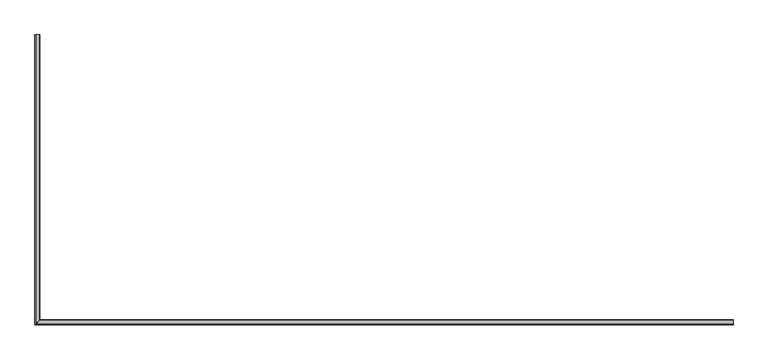
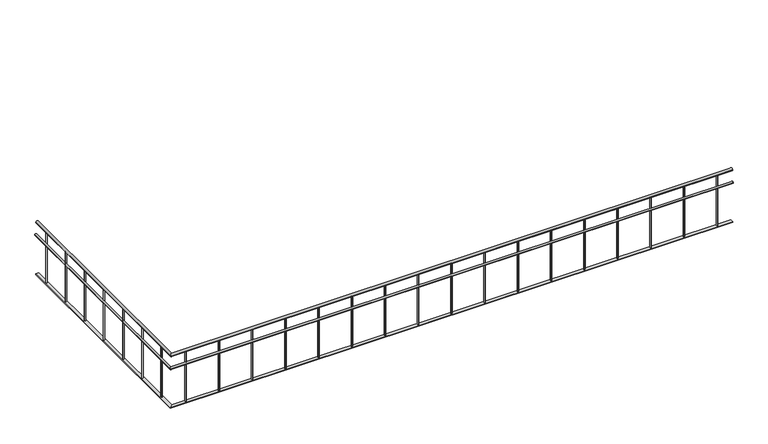
"""IFC4 building model written with IfcOpenShell, lengths in millimetres: railing geometry."""

import ifcopenshell
import ifcopenshell.guid

model = None  # the IFC model being written
_history = None  # IfcOwnerHistory: only IFC2X3 demands one
_inside = {}  # id of a spatial element -> (the spatial element, [elements in it])
_under = {}  # id of a project, library or spatial element -> (it, [spatial elements below it])
_declared = {}  # id of a project -> (the project, [libraries it declares])
_typed = {}  # id of a type object -> (the type object, [elements of that type])
_made_of = {}  # id of a material, layer set ... -> (it, [elements and type objects made of it])


def new_model(schema):
    """Start an empty IFC model of exactly this schema.

    Asked for "IFC4X3", IfcOpenShell would pick the latest addendum, in which some entities
    have other attributes; the version numbers below select the first issue.
    IFC2X3 requires an IfcOwnerHistory on every rooted entity: one is made here for all.
    """
    global model, _history
    if schema == "IFC4X3":
        model = ifcopenshell.file(schema_version=(4, 3, 0, 0))
    else:
        model = ifcopenshell.file(schema=schema)
    _inside.clear()
    _under.clear()
    _declared.clear()
    _typed.clear()
    _made_of.clear()
    _history = None
    if model.schema == "IFC2X3":
        org = make("IfcOrganization", Name="unknown")
        user = make(
            "IfcPersonAndOrganization",
            ThePerson=make("IfcPerson", FamilyName="unknown"),
            TheOrganization=org,
        )
        app = make(
            "IfcApplication",
            ApplicationDeveloper=org,
            Version="unknown",
            ApplicationFullName="unknown",
            ApplicationIdentifier="unknown",
        )
        _history = make(
            "IfcOwnerHistory",
            OwningUser=user,
            OwningApplication=app,
            ChangeAction="ADDED",
            CreationDate=0,
        )
    return model


def make(cls, **values):
    """One entity of the class cls with the attributes given. An attribute that is None is left unset."""
    return model.create_entity(
        cls, **{name: value for name, value in values.items() if value is not None}
    )


def rooted(cls, **values):
    """An entity with a GlobalId (a new one), such as an element, a storey or a relation."""
    return make(cls, GlobalId=ifcopenshell.guid.new(), OwnerHistory=_history, **values)


def si_unit(unit_type, name, prefix=None):
    """IfcSIUnit, for example si_unit("LENGTHUNIT", "METRE", prefix="MILLI")."""
    return make("IfcSIUnit", UnitType=unit_type, Prefix=prefix, Name=name)


def assignment(units):
    """IfcUnitAssignment: the units of a project."""
    return None if units is None else make("IfcUnitAssignment", Units=units)


def point(xyz):
    """IfcCartesianPoint."""
    return None if xyz is None else make("IfcCartesianPoint", Coordinates=xyz)


def direction(xyz):
    """IfcDirection."""
    return None if xyz is None else make("IfcDirection", DirectionRatios=xyz)


def frame(location, z_axis=None, x_axis=None):
    """IfcAxis2Placement3D, a coordinate frame: its origin and axes. An axis left out is left unset."""
    return make(
        "IfcAxis2Placement3D",
        Location=point(location),
        Axis=direction(z_axis),
        RefDirection=direction(x_axis),
    )


def frame_2d(location, x_axis=None):
    """IfcAxis2Placement2D, a coordinate frame in the plane: its origin and x axis."""
    return make(
        "IfcAxis2Placement2D", Location=point(location), RefDirection=direction(x_axis)
    )


def origin():
    """The frame at (0, 0, 0) with its axes left unset."""
    return frame((0.0, 0.0, 0.0))


def place(relative_to, where):
    """IfcLocalPlacement: puts the frame where relative to a parent placement (None: the world)."""
    return make(
        "IfcLocalPlacement", PlacementRelTo=relative_to, RelativePlacement=where
    )


def context(
    kind, dimensions, precision=None, world=None, true_north=None, identifier=None
):
    """IfcGeometricRepresentationContext, for example the 3D "Model" context."""
    return make(
        "IfcGeometricRepresentationContext",
        ContextIdentifier=identifier,
        ContextType=kind,
        CoordinateSpaceDimension=dimensions,
        Precision=precision,
        WorldCoordinateSystem=world,
        TrueNorth=true_north,
    )


def project(units=None, contexts=None):
    """IfcProject with its units and contexts."""
    return rooted(
        "IfcProject",
        Name="project",
        RepresentationContexts=contexts,
        UnitsInContext=assignment(units),
    )


def spatial(cls, under=None, at=None, **own):
    """A site, building, storey or space (cls), placed at a placement, below another one or the project."""
    s = rooted(cls, ObjectPlacement=at, **own)
    if under is not None:
        _under.setdefault(under.id(), (under, []))[1].append(s)
    return s


def circle_curve(where, radius):
    """IfcCircle in the frame where."""
    return make("IfcCircle", Position=where, Radius=radius)


def ellipse_curve(where, semi_axis1, semi_axis2):
    """IfcEllipse in the frame where."""
    return make(
        "IfcEllipse", Position=where, SemiAxis1=semi_axis1, SemiAxis2=semi_axis2
    )


def trimmed(basis, trim1, trim2, sense, master):
    """IfcTrimmedCurve: the piece of a basis curve between two trims."""
    return make(
        "IfcTrimmedCurve",
        BasisCurve=basis,
        Trim1=trim1,
        Trim2=trim2,
        SenseAgreement=sense,
        MasterRepresentation=master,
    )


def segment(curve, same_sense, transition):
    """IfcCompositeCurveSegment."""
    return make(
        "IfcCompositeCurveSegment",
        Transition=transition,
        SameSense=same_sense,
        ParentCurve=curve,
    )


def composite_curve(segments, self_intersect=None):
    """IfcCompositeCurve: segments joined end to end."""
    return make("IfcCompositeCurve", Segments=segments, SelfIntersect=self_intersect)


def outline(outer, holes=None, kind="AREA"):
    """IfcArbitraryClosedProfileDef: a profile drawn as a closed curve; with holes, ...WithVoids."""
    if holes is None:
        return make("IfcArbitraryClosedProfileDef", ProfileType=kind, OuterCurve=outer)
    return make(
        "IfcArbitraryProfileDefWithVoids",
        ProfileType=kind,
        OuterCurve=outer,
        InnerCurves=holes,
    )


def extrude(swept, where, along, depth):
    """IfcExtrudedAreaSolid: the profile swept, set in the frame where, extruded along a direction by depth."""
    return make(
        "IfcExtrudedAreaSolid",
        SweptArea=swept,
        Position=where,
        ExtrudedDirection=direction(along),
        Depth=depth,
    )


def faces_of(points, faces, orient=None, outer=None):
    """IfcFace entities. A face is a list of loops; a loop is a list of indices into points, from 0.

    orient and outer hold one flag for each loop. By default every Orientation is true, the
    first loop of a face is its IfcFaceOuterBound and the others are IfcFaceBound.
    """
    made = []
    for i, loops in enumerate(faces):
        bounds = []
        for j, loop in enumerate(loops):
            is_outer = j == 0 if outer is None else outer[i][j]
            bounds.append(
                make(
                    "IfcFaceOuterBound" if is_outer else "IfcFaceBound",
                    Bound=make("IfcPolyLoop", Polygon=[points[k] for k in loop]),
                    Orientation=True if orient is None else orient[i][j],
                )
            )
        made.append(make("IfcFace", Bounds=bounds))
    return made


def faceted_brep(points, faces, orient=None, outer=None, voids=None):
    """IfcFacetedBrep: a solid bounded by flat faces; with voids (closed shells), ...WithVoids."""
    shared = [point(p) for p in points]
    hull = make("IfcClosedShell", CfsFaces=faces_of(shared, faces, orient, outer))
    if voids is None:
        return make("IfcFacetedBrep", Outer=hull)
    return make(
        "IfcFacetedBrepWithVoids",
        Outer=hull,
        Voids=[
            make(cls, CfsFaces=faces_of(shared, fs, o, b)) for cls, fs, o, b in voids
        ],
    )


def shape(context_of_items, identifier, shape_type, items):
    """IfcShapeRepresentation: the items that make up one representation, for example the "Body"."""
    return make(
        "IfcShapeRepresentation",
        ContextOfItems=context_of_items,
        RepresentationIdentifier=identifier,
        RepresentationType=shape_type,
        Items=items,
    )


def source(mapping_origin, context_of_items, identifier, shape_type, items):
    """IfcRepresentationMap: a shape defined once, which mapped items show again and again."""
    return make(
        "IfcRepresentationMap",
        MappingOrigin=mapping_origin,
        MappedRepresentation=shape(context_of_items, identifier, shape_type, items),
    )


def transform(
    local_origin,
    x_axis=None,
    y_axis=None,
    z_axis=None,
    scale=None,
    scale2=None,
    scale3=None,
    uniform=True,
):
    """IfcCartesianTransformationOperator3D, or its non-uniform kind. x_axis, y_axis, z_axis: its Axis1, 2, 3."""
    if uniform:
        return make(
            "IfcCartesianTransformationOperator3D",
            Axis1=direction(x_axis),
            Axis2=direction(y_axis),
            LocalOrigin=point(local_origin),
            Scale=scale,
            Axis3=direction(z_axis),
        )
    return make(
        "IfcCartesianTransformationOperator3DnonUniform",
        Axis1=direction(x_axis),
        Axis2=direction(y_axis),
        LocalOrigin=point(local_origin),
        Scale=scale,
        Axis3=direction(z_axis),
        Scale2=scale2,
        Scale3=scale3,
    )


def mapped(mapping_source, mapping_target):
    """IfcMappedItem: shows the shape of a source again, moved by a transform."""
    return make(
        "IfcMappedItem", MappingSource=mapping_source, MappingTarget=mapping_target
    )


def made_of(thing, what):
    """Note that an element or type object is made of a material, layer set ...; save() writes the relation."""
    if what is not None:
        _made_of.setdefault(what.id(), (what, []))[1].append(thing)
    return thing


def element(
    cls,
    number,
    at=None,
    inside=None,
    cuts=None,
    type_object=None,
    material=None,
    context=None,
    identifier="Body",
    shape_type=None,
    held_by="IfcProductDefinitionShape",
    body=None,
    shapes=None,
    **own,
):
    """One element of the class cls, such as IfcWall. Its Tag is "e" and its number.

    at: its placement. inside: the storey or other place that contains it. cuts: it is an
    opening in that element (IfcRelVoidsElement). A single representation is given by context,
    identifier, shape_type and body (its items); several are given by shapes. held_by: the class
    of the entity that holds the representations. save() writes the other relations.
    """
    e = rooted(cls, Tag="e%d" % number, ObjectPlacement=at, **own)
    if body is not None:
        shapes = [shape(context, identifier, shape_type, body)]
    if shapes is not None:
        e.Representation = make(held_by, Representations=shapes)
    if inside is not None:
        _inside.setdefault(inside.id(), (inside, []))[1].append(e)
    if cuts is not None:
        rooted(
            "IfcRelVoidsElement", RelatingBuildingElement=cuts, RelatedOpeningElement=e
        )
    if type_object is not None:
        _typed.setdefault(type_object.id(), (type_object, []))[1].append(e)
    return made_of(e, material)


def aggregate(whole, parts):
    """IfcRelAggregates: a whole, such as a stair, and the parts it consists of."""
    return rooted("IfcRelAggregates", RelatingObject=whole, RelatedObjects=parts)


def save(model, path):
    """Write the relations noted so far, then the file.

    IfcRelAggregates (storeys below a building ...), IfcRelContainedInSpatialStructure (elements
    in a storey), IfcRelDefinesByType, IfcRelAssociatesMaterial and IfcRelDeclares: one each for
    every whole, place, type object, material and project.
    """
    for whole, parts in _under.values():
        aggregate(whole, parts)
    for where, things in _inside.values():
        rooted(
            "IfcRelContainedInSpatialStructure",
            RelatedElements=things,
            RelatingStructure=where,
        )
    for kind, things in _typed.values():
        rooted("IfcRelDefinesByType", RelatedObjects=things, RelatingType=kind)
    for what, things in _made_of.values():
        rooted("IfcRelAssociatesMaterial", RelatedObjects=things, RelatingMaterial=what)
    for by, libraries in _declared.values():
        rooted("IfcRelDeclares", RelatingContext=by, RelatedDefinitions=libraries)
    model.write(path)


def plane_surface(at):
    """IfcPlane: the flat surface through the origin of the frame at, square to its z axis."""
    return make("IfcPlane", Position=at)


def cylinder_surface(at, radius):
    """IfcCylindricalSurface: all points at the distance radius from the z axis of the frame at."""
    return make("IfcCylindricalSurface", Position=at, Radius=radius)


def advanced_brep(points, edges, surfaces, faces):
    """IfcAdvancedBrep: a solid bounded by faces that lie on surfaces and meet in shared edges.

    An edge is (start, end): straight between two places in points (the first is 0);
    or (start, end, curve); or (start, end, curve, False) where it runs against its curve.
    A face is (place in surfaces, loops), or (place, loops, False) where it looks against
    its surface's normal. A loop lists edges by number (the first is 1), with a minus sign
    where the edge is run from its end to its start. The first loop is the outer one.
    """
    corners = [point(p) for p in points]
    vertices = [make("IfcVertexPoint", VertexGeometry=c) for c in corners]
    made = []
    for start, end, *more in edges:
        made.append(
            make(
                "IfcEdgeCurve",
                EdgeStart=vertices[start],
                EdgeEnd=vertices[end],
                EdgeGeometry=more[0] if more else make("IfcPolyline", Points=[corners[start], corners[end]]),
                SameSense=more[1] if len(more) > 1 else True,
            )
        )
    hull = []
    for where, loops, *sense in faces:
        bounds = []
        for j, loop in enumerate(loops):
            ring = [make("IfcOrientedEdge", EdgeElement=made[abs(k) - 1], Orientation=k > 0) for k in loop]
            bounds.append(
                make(
                    "IfcFaceOuterBound" if j == 0 else "IfcFaceBound",
                    Bound=make("IfcEdgeLoop", EdgeList=ring),
                    Orientation=True,
                )
            )
        hull.append(make("IfcAdvancedFace", Bounds=bounds, FaceSurface=surfaces[where], SameSense=sense[0] if sense else True))
    return make("IfcAdvancedBrep", Outer=make("IfcClosedShell", CfsFaces=hull))


def railing_76dd38c3(model_context):
    return source(origin(), model_context, "Body", "SolidModel", [
        advanced_brep(
        [(-41069.9887159, -15016.8920513, 830.0), (-41109.9887159, -15016.8920513, 830.0), (-41069.9887159, -18486.8920513, 830.0), (-41109.9887159, -18526.8920513, 830.0), (-32649.5887159, -18486.8920513, 830.0), (-32649.5887159, -18526.8920513, 830.0)],
        [
            (0, 1, circle_curve(frame((-41089.9887159, -15016.8920513, 830.0), z_axis=(0.0, 1.0, 0.0), x_axis=(-1.0, 0.0, 0.0)), 20.0)),
            (1, 0, circle_curve(frame((-41089.9887159, -15016.8920513, 830.0), z_axis=(0.0, 1.0, 0.0), x_axis=(-1.0, 0.0, 0.0)), 20.0)),
            (0, 2),
            (2, 3, ellipse_curve(frame((-41089.9887159, -18506.8920513, 830.0), z_axis=(-0.7071067811865454, 0.7071067811865496, 0.0), x_axis=(0.7071067811865496, 0.7071067811865456, 0.0)), 28.2842712, 20.0)),
            (3, 1),
            (3, 2, ellipse_curve(frame((-41089.9887159, -18506.8920513, 830.0), z_axis=(-0.7071067811865454, 0.7071067811865496, 0.0), x_axis=(0.7071067811865496, 0.7071067811865456, 0.0)), 28.2842712, 20.0)),
            (4, 5, circle_curve(frame((-32649.5887159, -18506.8920513, 830.0), z_axis=(1.0, 0.0, 0.0), x_axis=(0.0, -1.0, 0.0)), 20.0)),
            (5, 4, circle_curve(frame((-32649.5887159, -18506.8920513, 830.0), z_axis=(1.0, 0.0, 0.0), x_axis=(0.0, -1.0, 0.0)), 20.0)),
            (2, 4),
            (5, 3),
        ],
        [
            plane_surface(frame((-41089.9887159, -15016.8920513, 850.0), z_axis=(0.0, 1.0, 0.0), x_axis=(0.0, 0.0, -1.0))),
            cylinder_surface(frame((-41089.9887159, -15016.8920513, 830.0), z_axis=(0.0, 1.0, 0.0), x_axis=(-1.0, 0.0, 0.0)), 20.0),
            plane_surface(frame((-32649.5887159, -18506.8920513, 850.0), z_axis=(1.0, 0.0, 0.0), x_axis=(0.0, 1.0, 0.0))),
            cylinder_surface(frame((-41089.9887159, -18506.8920513, 830.0), z_axis=(-1.0, 0.0, 0.0), x_axis=(0.0, -1.0, 0.0)), 20.0),
        ],
        [
            (0, [[1, 2]]),
            (1, [[-1, 3, 4, 5]]),
            (1, [[-2, -5, 6, -3]]),
            (2, [[7, 8]]),
            (3, [[-4, 9, -8, 10]]),
            (3, [[-6, -10, -7, -9]]),
        ],
    ),
        advanced_brep(
        [(-41094.9887159, -15016.8920513, 635.0), (-41124.9887159, -15016.8920513, 635.0), (-41094.9887159, -18511.8920513, 635.0), (-41124.9887159, -18541.8920513, 635.0), (-32649.5887159, -18511.8920513, 635.0), (-32649.5887159, -18541.8920513, 635.0)],
        [
            (0, 1, circle_curve(frame((-41109.9887159, -15016.8920513, 635.0), z_axis=(0.0, 1.0, 0.0), x_axis=(-1.0, 0.0, 0.0)), 15.0)),
            (1, 0, circle_curve(frame((-41109.9887159, -15016.8920513, 635.0), z_axis=(0.0, 1.0, 0.0), x_axis=(-1.0, 0.0, 0.0)), 15.0)),
            (0, 2),
            (2, 3, ellipse_curve(frame((-41109.9887159, -18526.8920513, 635.0), z_axis=(-0.7071067811865454, 0.7071067811865496, 0.0), x_axis=(0.7071067811865496, 0.7071067811865456, 0.0)), 21.2132034, 15.0)),
            (3, 1),
            (3, 2, ellipse_curve(frame((-41109.9887159, -18526.8920513, 635.0), z_axis=(-0.7071067811865454, 0.7071067811865496, 0.0), x_axis=(0.7071067811865496, 0.7071067811865456, 0.0)), 21.2132034, 15.0)),
            (4, 5, circle_curve(frame((-32649.5887159, -18526.8920513, 635.0), z_axis=(1.0, 0.0, 0.0), x_axis=(0.0, -1.0, 0.0)), 15.0)),
            (5, 4, circle_curve(frame((-32649.5887159, -18526.8920513, 635.0), z_axis=(1.0, 0.0, 0.0), x_axis=(0.0, -1.0, 0.0)), 15.0)),
            (2, 4),
            (5, 3),
        ],
        [
            plane_surface(frame((-41109.9887159, -15016.8920513, 650.0), z_axis=(0.0, 1.0, 0.0), x_axis=(0.0, 0.0, -1.0))),
            cylinder_surface(frame((-41109.9887159, -15016.8920513, 635.0), z_axis=(0.0, 1.0, 0.0), x_axis=(-1.0, 0.0, 0.0)), 15.0),
            plane_surface(frame((-32649.5887159, -18526.8920513, 650.0), z_axis=(1.0, 0.0, 0.0), x_axis=(0.0, 1.0, 0.0))),
            cylinder_surface(frame((-41109.9887159, -18526.8920513, 635.0), z_axis=(-1.0, 0.0, 0.0), x_axis=(0.0, -1.0, 0.0)), 15.0),
        ],
        [
            (0, [[1, 2]]),
            (1, [[-1, 3, 4, 5]]),
            (1, [[-2, -5, 6, -3]]),
            (2, [[7, 8]]),
            (3, [[-4, 9, -8, 10]]),
            (3, [[-6, -10, -7, -9]]),
        ],
    ),
        faceted_brep([(-41114.9887159, -15016.8920513, 10.0), (-41064.9887159, -15016.8920513, 10.0), (-41064.9887159, -15016.8920513, 0.0), (-41114.9887159, -15016.8920513, 0.0), (-41114.9887159, -18531.8920513, 10.0), (-41064.9887159, -18481.8920513, 10.0), (-41064.9887159, -18481.8920513, 0.0), (-41114.9887159, -18531.8920513, 0.0), (-32649.5887159, -18531.8920513, 10.0), (-32649.5887159, -18531.8920513, 0.0), (-32649.5887159, -18481.8920513, 0.0), (-32649.5887159, -18481.8920513, 10.0)], [[[0, 1, 2, 3]], [[1, 0, 4, 5]], [[2, 1, 5, 6]], [[3, 2, 6, 7]], [[0, 3, 7, 4]], [[8, 9, 10, 11]], [[5, 4, 8, 11]], [[6, 5, 11, 10]], [[7, 6, 10, 9]], [[4, 7, 9, 8]]]),
        extrude(outline(composite_curve([segment(trimmed(circle_curve(frame_2d((-32869.7887159, -18506.8920513)), 10.0), [point((-32869.7887159, -18496.8920513))], [point((-32869.7887159, -18516.8920513))], False, "CARTESIAN"), True, "CONTINUOUS"), segment(trimmed(circle_curve(frame_2d((-32869.7887159, -18506.8920513)), 10.0), [point((-32869.7887159, -18516.8920513))], [point((-32869.7887159, -18496.8920513))], False, "CARTESIAN"), True, "CONTINUOUS")], self_intersect=False)), frame((0.0, 0.0, 10.0), z_axis=(0.0, 0.0, 1.0), x_axis=(1.0, 0.0, 0.0)), (0.0, 0.0, 1.0), 800.0),
        extrude(outline(composite_curve([segment(trimmed(circle_curve(frame_2d((-33369.7887159, -18506.8920513)), 10.0), [point((-33369.7887159, -18496.8920513))], [point((-33369.7887159, -18516.8920513))], False, "CARTESIAN"), True, "CONTINUOUS"), segment(trimmed(circle_curve(frame_2d((-33369.7887159, -18506.8920513)), 10.0), [point((-33369.7887159, -18516.8920513))], [point((-33369.7887159, -18496.8920513))], False, "CARTESIAN"), True, "CONTINUOUS")], self_intersect=False)), frame((0.0, 0.0, 10.0), z_axis=(0.0, 0.0, 1.0), x_axis=(1.0, 0.0, 0.0)), (0.0, 0.0, 1.0), 800.0),
        extrude(outline(composite_curve([segment(trimmed(circle_curve(frame_2d((-33869.7887159, -18506.8920513)), 10.0), [point((-33869.7887159, -18496.8920513))], [point((-33869.7887159, -18516.8920513))], False, "CARTESIAN"), True, "CONTINUOUS"), segment(trimmed(circle_curve(frame_2d((-33869.7887159, -18506.8920513)), 10.0), [point((-33869.7887159, -18516.8920513))], [point((-33869.7887159, -18496.8920513))], False, "CARTESIAN"), True, "CONTINUOUS")], self_intersect=False)), frame((0.0, 0.0, 10.0), z_axis=(0.0, 0.0, 1.0), x_axis=(1.0, 0.0, 0.0)), (0.0, 0.0, 1.0), 800.0),
        extrude(outline(composite_curve([segment(trimmed(circle_curve(frame_2d((-34369.7887159, -18506.8920513)), 10.0), [point((-34369.7887159, -18496.8920513))], [point((-34369.7887159, -18516.8920513))], False, "CARTESIAN"), True, "CONTINUOUS"), segment(trimmed(circle_curve(frame_2d((-34369.7887159, -18506.8920513)), 10.0), [point((-34369.7887159, -18516.8920513))], [point((-34369.7887159, -18496.8920513))], False, "CARTESIAN"), True, "CONTINUOUS")], self_intersect=False)), frame((0.0, 0.0, 10.0), z_axis=(0.0, 0.0, 1.0), x_axis=(1.0, 0.0, 0.0)), (0.0, 0.0, 1.0), 800.0),
        extrude(outline(composite_curve([segment(trimmed(circle_curve(frame_2d((-34869.7887159, -18506.8920513)), 10.0), [point((-34869.7887159, -18496.8920513))], [point((-34869.7887159, -18516.8920513))], False, "CARTESIAN"), True, "CONTINUOUS"), segment(trimmed(circle_curve(frame_2d((-34869.7887159, -18506.8920513)), 10.0), [point((-34869.7887159, -18516.8920513))], [point((-34869.7887159, -18496.8920513))], False, "CARTESIAN"), True, "CONTINUOUS")], self_intersect=False)), frame((0.0, 0.0, 10.0), z_axis=(0.0, 0.0, 1.0), x_axis=(1.0, 0.0, 0.0)), (0.0, 0.0, 1.0), 800.0),
        extrude(outline(composite_curve([segment(trimmed(circle_curve(frame_2d((-35369.7887159, -18506.8920513)), 10.0), [point((-35369.7887159, -18496.8920513))], [point((-35369.7887159, -18516.8920513))], False, "CARTESIAN"), True, "CONTINUOUS"), segment(trimmed(circle_curve(frame_2d((-35369.7887159, -18506.8920513)), 10.0), [point((-35369.7887159, -18516.8920513))], [point((-35369.7887159, -18496.8920513))], False, "CARTESIAN"), True, "CONTINUOUS")], self_intersect=False)), frame((0.0, 0.0, 10.0), z_axis=(0.0, 0.0, 1.0), x_axis=(1.0, 0.0, 0.0)), (0.0, 0.0, 1.0), 800.0),
        extrude(outline(composite_curve([segment(trimmed(circle_curve(frame_2d((-35869.7887159, -18506.8920513)), 10.0), [point((-35869.7887159, -18496.8920513))], [point((-35869.7887159, -18516.8920513))], False, "CARTESIAN"), True, "CONTINUOUS"), segment(trimmed(circle_curve(frame_2d((-35869.7887159, -18506.8920513)), 10.0), [point((-35869.7887159, -18516.8920513))], [point((-35869.7887159, -18496.8920513))], False, "CARTESIAN"), True, "CONTINUOUS")], self_intersect=False)), frame((0.0, 0.0, 10.0), z_axis=(0.0, 0.0, 1.0), x_axis=(1.0, 0.0, 0.0)), (0.0, 0.0, 1.0), 800.0),
        extrude(outline(composite_curve([segment(trimmed(circle_curve(frame_2d((-36369.7887159, -18506.8920513)), 10.0), [point((-36369.7887159, -18496.8920513))], [point((-36369.7887159, -18516.8920513))], False, "CARTESIAN"), True, "CONTINUOUS"), segment(trimmed(circle_curve(frame_2d((-36369.7887159, -18506.8920513)), 10.0), [point((-36369.7887159, -18516.8920513))], [point((-36369.7887159, -18496.8920513))], False, "CARTESIAN"), True, "CONTINUOUS")], self_intersect=False)), frame((0.0, 0.0, 10.0), z_axis=(0.0, 0.0, 1.0), x_axis=(1.0, 0.0, 0.0)), (0.0, 0.0, 1.0), 800.0),
        extrude(outline(composite_curve([segment(trimmed(circle_curve(frame_2d((-36869.7887159, -18506.8920513)), 10.0), [point((-36869.7887159, -18496.8920513))], [point((-36869.7887159, -18516.8920513))], False, "CARTESIAN"), True, "CONTINUOUS"), segment(trimmed(circle_curve(frame_2d((-36869.7887159, -18506.8920513)), 10.0), [point((-36869.7887159, -18516.8920513))], [point((-36869.7887159, -18496.8920513))], False, "CARTESIAN"), True, "CONTINUOUS")], self_intersect=False)), frame((0.0, 0.0, 10.0), z_axis=(0.0, 0.0, 1.0), x_axis=(1.0, 0.0, 0.0)), (0.0, 0.0, 1.0), 800.0),
        extrude(outline(composite_curve([segment(trimmed(circle_curve(frame_2d((-37369.7887159, -18506.8920513)), 10.0), [point((-37369.7887159, -18496.8920513))], [point((-37369.7887159, -18516.8920513))], False, "CARTESIAN"), True, "CONTINUOUS"), segment(trimmed(circle_curve(frame_2d((-37369.7887159, -18506.8920513)), 10.0), [point((-37369.7887159, -18516.8920513))], [point((-37369.7887159, -18496.8920513))], False, "CARTESIAN"), True, "CONTINUOUS")], self_intersect=False)), frame((0.0, 0.0, 10.0), z_axis=(0.0, 0.0, 1.0), x_axis=(1.0, 0.0, 0.0)), (0.0, 0.0, 1.0), 800.0),
        extrude(outline(composite_curve([segment(trimmed(circle_curve(frame_2d((-37869.7887159, -18506.8920513)), 10.0), [point((-37869.7887159, -18496.8920513))], [point((-37869.7887159, -18516.8920513))], False, "CARTESIAN"), True, "CONTINUOUS"), segment(trimmed(circle_curve(frame_2d((-37869.7887159, -18506.8920513)), 10.0), [point((-37869.7887159, -18516.8920513))], [point((-37869.7887159, -18496.8920513))], False, "CARTESIAN"), True, "CONTINUOUS")], self_intersect=False)), frame((0.0, 0.0, 10.0), z_axis=(0.0, 0.0, 1.0), x_axis=(1.0, 0.0, 0.0)), (0.0, 0.0, 1.0), 800.0),
        extrude(outline(composite_curve([segment(trimmed(circle_curve(frame_2d((-38369.7887159, -18506.8920513)), 10.0), [point((-38369.7887159, -18496.8920513))], [point((-38369.7887159, -18516.8920513))], False, "CARTESIAN"), True, "CONTINUOUS"), segment(trimmed(circle_curve(frame_2d((-38369.7887159, -18506.8920513)), 10.0), [point((-38369.7887159, -18516.8920513))], [point((-38369.7887159, -18496.8920513))], False, "CARTESIAN"), True, "CONTINUOUS")], self_intersect=False)), frame((0.0, 0.0, 10.0), z_axis=(0.0, 0.0, 1.0), x_axis=(1.0, 0.0, 0.0)), (0.0, 0.0, 1.0), 800.0),
        extrude(outline(composite_curve([segment(trimmed(circle_curve(frame_2d((-38869.7887159, -18506.8920513)), 10.0), [point((-38869.7887159, -18496.8920513))], [point((-38869.7887159, -18516.8920513))], False, "CARTESIAN"), True, "CONTINUOUS"), segment(trimmed(circle_curve(frame_2d((-38869.7887159, -18506.8920513)), 10.0), [point((-38869.7887159, -18516.8920513))], [point((-38869.7887159, -18496.8920513))], False, "CARTESIAN"), True, "CONTINUOUS")], self_intersect=False)), frame((0.0, 0.0, 10.0), z_axis=(0.0, 0.0, 1.0), x_axis=(1.0, 0.0, 0.0)), (0.0, 0.0, 1.0), 800.0),
        extrude(outline(composite_curve([segment(trimmed(circle_curve(frame_2d((-39369.7887159, -18506.8920513)), 10.0), [point((-39369.7887159, -18496.8920513))], [point((-39369.7887159, -18516.8920513))], False, "CARTESIAN"), True, "CONTINUOUS"), segment(trimmed(circle_curve(frame_2d((-39369.7887159, -18506.8920513)), 10.0), [point((-39369.7887159, -18516.8920513))], [point((-39369.7887159, -18496.8920513))], False, "CARTESIAN"), True, "CONTINUOUS")], self_intersect=False)), frame((0.0, 0.0, 10.0), z_axis=(0.0, 0.0, 1.0), x_axis=(1.0, 0.0, 0.0)), (0.0, 0.0, 1.0), 800.0),
        extrude(outline(composite_curve([segment(trimmed(circle_curve(frame_2d((-39869.7887159, -18506.8920513)), 10.0), [point((-39869.7887159, -18496.8920513))], [point((-39869.7887159, -18516.8920513))], False, "CARTESIAN"), True, "CONTINUOUS"), segment(trimmed(circle_curve(frame_2d((-39869.7887159, -18506.8920513)), 10.0), [point((-39869.7887159, -18516.8920513))], [point((-39869.7887159, -18496.8920513))], False, "CARTESIAN"), True, "CONTINUOUS")], self_intersect=False)), frame((0.0, 0.0, 10.0), z_axis=(0.0, 0.0, 1.0), x_axis=(1.0, 0.0, 0.0)), (0.0, 0.0, 1.0), 800.0),
        extrude(outline(composite_curve([segment(trimmed(circle_curve(frame_2d((-40369.7887159, -18506.8920513)), 10.0), [point((-40369.7887159, -18496.8920513))], [point((-40369.7887159, -18516.8920513))], False, "CARTESIAN"), True, "CONTINUOUS"), segment(trimmed(circle_curve(frame_2d((-40369.7887159, -18506.8920513)), 10.0), [point((-40369.7887159, -18516.8920513))], [point((-40369.7887159, -18496.8920513))], False, "CARTESIAN"), True, "CONTINUOUS")], self_intersect=False)), frame((0.0, 0.0, 10.0), z_axis=(0.0, 0.0, 1.0), x_axis=(1.0, 0.0, 0.0)), (0.0, 0.0, 1.0), 800.0),
        extrude(outline(composite_curve([segment(trimmed(circle_curve(frame_2d((-40869.7887159, -18506.8920513)), 10.0), [point((-40869.7887159, -18496.8920513))], [point((-40869.7887159, -18516.8920513))], False, "CARTESIAN"), True, "CONTINUOUS"), segment(trimmed(circle_curve(frame_2d((-40869.7887159, -18506.8920513)), 10.0), [point((-40869.7887159, -18516.8920513))], [point((-40869.7887159, -18496.8920513))], False, "CARTESIAN"), True, "CONTINUOUS")], self_intersect=False)), frame((0.0, 0.0, 10.0), z_axis=(0.0, 0.0, 1.0), x_axis=(1.0, 0.0, 0.0)), (0.0, 0.0, 1.0), 800.0),
        extrude(outline(composite_curve([segment(trimmed(circle_curve(frame_2d((-41089.9887159, -18261.8920513)), 10.0), [point((-41079.9887159, -18261.8920513))], [point((-41099.9887159, -18261.8920513))], False, "CARTESIAN"), True, "CONTINUOUS"), segment(trimmed(circle_curve(frame_2d((-41089.9887159, -18261.8920513)), 10.0), [point((-41099.9887159, -18261.8920513))], [point((-41079.9887159, -18261.8920513))], False, "CARTESIAN"), True, "CONTINUOUS")], self_intersect=False)), frame((0.0, 0.0, 10.0), z_axis=(0.0, 0.0, 1.0), x_axis=(1.0, 0.0, 0.0)), (0.0, 0.0, 1.0), 800.0),
        extrude(outline(composite_curve([segment(trimmed(circle_curve(frame_2d((-41089.9887159, -17761.8920513)), 10.0), [point((-41079.9887159, -17761.8920513))], [point((-41099.9887159, -17761.8920513))], False, "CARTESIAN"), True, "CONTINUOUS"), segment(trimmed(circle_curve(frame_2d((-41089.9887159, -17761.8920513)), 10.0), [point((-41099.9887159, -17761.8920513))], [point((-41079.9887159, -17761.8920513))], False, "CARTESIAN"), True, "CONTINUOUS")], self_intersect=False)), frame((0.0, 0.0, 10.0), z_axis=(0.0, 0.0, 1.0), x_axis=(1.0, 0.0, 0.0)), (0.0, 0.0, 1.0), 800.0),
        extrude(outline(composite_curve([segment(trimmed(circle_curve(frame_2d((-41089.9887159, -17261.8920513)), 10.0), [point((-41079.9887159, -17261.8920513))], [point((-41099.9887159, -17261.8920513))], False, "CARTESIAN"), True, "CONTINUOUS"), segment(trimmed(circle_curve(frame_2d((-41089.9887159, -17261.8920513)), 10.0), [point((-41099.9887159, -17261.8920513))], [point((-41079.9887159, -17261.8920513))], False, "CARTESIAN"), True, "CONTINUOUS")], self_intersect=False)), frame((0.0, 0.0, 10.0), z_axis=(0.0, 0.0, 1.0), x_axis=(1.0, 0.0, 0.0)), (0.0, 0.0, 1.0), 800.0),
        extrude(outline(composite_curve([segment(trimmed(circle_curve(frame_2d((-41089.9887159, -16761.8920513)), 10.0), [point((-41079.9887159, -16761.8920513))], [point((-41099.9887159, -16761.8920513))], False, "CARTESIAN"), True, "CONTINUOUS"), segment(trimmed(circle_curve(frame_2d((-41089.9887159, -16761.8920513)), 10.0), [point((-41099.9887159, -16761.8920513))], [point((-41079.9887159, -16761.8920513))], False, "CARTESIAN"), True, "CONTINUOUS")], self_intersect=False)), frame((0.0, 0.0, 10.0), z_axis=(0.0, 0.0, 1.0), x_axis=(1.0, 0.0, 0.0)), (0.0, 0.0, 1.0), 800.0),
        extrude(outline(composite_curve([segment(trimmed(circle_curve(frame_2d((-41089.9887159, -16261.8920513)), 10.0), [point((-41079.9887159, -16261.8920513))], [point((-41099.9887159, -16261.8920513))], False, "CARTESIAN"), True, "CONTINUOUS"), segment(trimmed(circle_curve(frame_2d((-41089.9887159, -16261.8920513)), 10.0), [point((-41099.9887159, -16261.8920513))], [point((-41079.9887159, -16261.8920513))], False, "CARTESIAN"), True, "CONTINUOUS")], self_intersect=False)), frame((0.0, 0.0, 10.0), z_axis=(0.0, 0.0, 1.0), x_axis=(1.0, 0.0, 0.0)), (0.0, 0.0, 1.0), 800.0),
        extrude(outline(composite_curve([segment(trimmed(circle_curve(frame_2d((-41089.9887159, -15761.8920513)), 10.0), [point((-41079.9887159, -15761.8920513))], [point((-41099.9887159, -15761.8920513))], False, "CARTESIAN"), True, "CONTINUOUS"), segment(trimmed(circle_curve(frame_2d((-41089.9887159, -15761.8920513)), 10.0), [point((-41099.9887159, -15761.8920513))], [point((-41079.9887159, -15761.8920513))], False, "CARTESIAN"), True, "CONTINUOUS")], self_intersect=False)), frame((0.0, 0.0, 10.0), z_axis=(0.0, 0.0, 1.0), x_axis=(1.0, 0.0, 0.0)), (0.0, 0.0, 1.0), 800.0),
        extrude(outline(composite_curve([segment(trimmed(circle_curve(frame_2d((-41089.9887159, -15261.8920513)), 10.0), [point((-41079.9887159, -15261.8920513))], [point((-41099.9887159, -15261.8920513))], False, "CARTESIAN"), True, "CONTINUOUS"), segment(trimmed(circle_curve(frame_2d((-41089.9887159, -15261.8920513)), 10.0), [point((-41099.9887159, -15261.8920513))], [point((-41079.9887159, -15261.8920513))], False, "CARTESIAN"), True, "CONTINUOUS")], self_intersect=False)), frame((0.0, 0.0, 10.0), z_axis=(0.0, 0.0, 1.0), x_axis=(1.0, 0.0, 0.0)), (0.0, 0.0, 1.0), 800.0),
    ])


if __name__ == "__main__":
    model = new_model("IFC4")
    model_context = context("Model", 3, world=origin())
    ifc_project = project(units=[si_unit("LENGTHUNIT", "METRE", prefix="MILLI")], contexts=[model_context])
    site = spatial("IfcSite", under=ifc_project)
    building = spatial("IfcBuilding", under=site)
    placement = place(None, origin())
    railing_shape = railing_76dd38c3(model_context)
    element("IfcRailing", 1, at=placement, inside=building, context=model_context, shape_type="MappedRepresentation", body=[
        mapped(railing_shape, transform((0.0, 0.0, 0.0), x_axis=(1.0, 0.0, 0.0), y_axis=(0.0, 1.0, 0.0), z_axis=(0.0, 0.0, 1.0))),
    ])
    save(model, "model.ifc")
